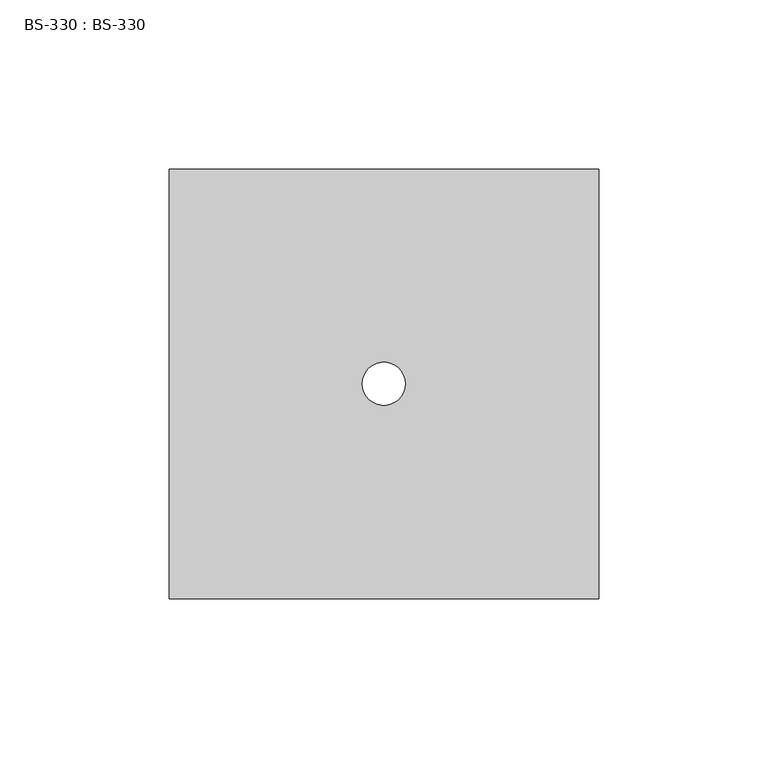
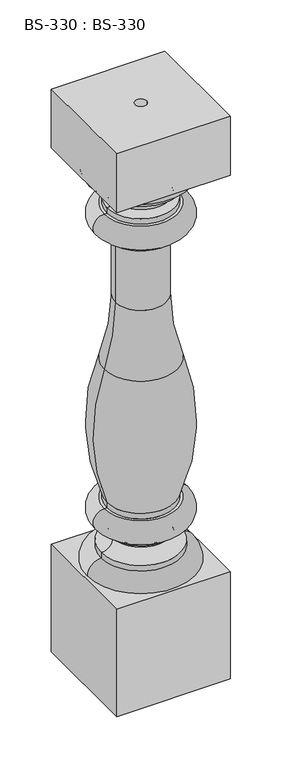
"""IFC4 building model written with IfcOpenShell, lengths in millimetres: proxy geometry, BS-330 : BS-330."""

import ifcopenshell
import ifcopenshell.guid

model = None  # the IFC model being written
_history = None  # IfcOwnerHistory: only IFC2X3 demands one
_inside = {}  # id of a spatial element -> (the spatial element, [elements in it])
_under = {}  # id of a project, library or spatial element -> (it, [spatial elements below it])
_declared = {}  # id of a project -> (the project, [libraries it declares])
_typed = {}  # id of a type object -> (the type object, [elements of that type])
_made_of = {}  # id of a material, layer set ... -> (it, [elements and type objects made of it])


def new_model(schema):
    """Start an empty IFC model of exactly this schema.

    Asked for "IFC4X3", IfcOpenShell would pick the latest addendum, in which some entities
    have other attributes; the version numbers below select the first issue.
    IFC2X3 requires an IfcOwnerHistory on every rooted entity: one is made here for all.
    """
    global model, _history
    if schema == "IFC4X3":
        model = ifcopenshell.file(schema_version=(4, 3, 0, 0))
    else:
        model = ifcopenshell.file(schema=schema)
    _inside.clear()
    _under.clear()
    _declared.clear()
    _typed.clear()
    _made_of.clear()
    _history = None
    if model.schema == "IFC2X3":
        org = make("IfcOrganization", Name="unknown")
        user = make(
            "IfcPersonAndOrganization",
            ThePerson=make("IfcPerson", FamilyName="unknown"),
            TheOrganization=org,
        )
        app = make(
            "IfcApplication",
            ApplicationDeveloper=org,
            Version="unknown",
            ApplicationFullName="unknown",
            ApplicationIdentifier="unknown",
        )
        _history = make(
            "IfcOwnerHistory",
            OwningUser=user,
            OwningApplication=app,
            ChangeAction="ADDED",
            CreationDate=0,
        )
    return model


def make(cls, **values):
    """One entity of the class cls with the attributes given. An attribute that is None is left unset."""
    return model.create_entity(
        cls, **{name: value for name, value in values.items() if value is not None}
    )


def rooted(cls, **values):
    """An entity with a GlobalId (a new one), such as an element, a storey or a relation."""
    return make(cls, GlobalId=ifcopenshell.guid.new(), OwnerHistory=_history, **values)


def si_unit(unit_type, name, prefix=None):
    """IfcSIUnit, for example si_unit("LENGTHUNIT", "METRE", prefix="MILLI")."""
    return make("IfcSIUnit", UnitType=unit_type, Prefix=prefix, Name=name)


def assignment(units):
    """IfcUnitAssignment: the units of a project."""
    return None if units is None else make("IfcUnitAssignment", Units=units)


def point(xyz):
    """IfcCartesianPoint."""
    return None if xyz is None else make("IfcCartesianPoint", Coordinates=xyz)


def direction(xyz):
    """IfcDirection."""
    return None if xyz is None else make("IfcDirection", DirectionRatios=xyz)


def frame(location, z_axis=None, x_axis=None):
    """IfcAxis2Placement3D, a coordinate frame: its origin and axes. An axis left out is left unset."""
    return make(
        "IfcAxis2Placement3D",
        Location=point(location),
        Axis=direction(z_axis),
        RefDirection=direction(x_axis),
    )


def origin():
    """The frame at (0, 0, 0) with its axes left unset."""
    return frame((0.0, 0.0, 0.0))


def origin_with_axes():
    """The frame at (0, 0, 0) with the z axis (0, 0, 1) and the x axis (1, 0, 0) written out."""
    return frame((0.0, 0.0, 0.0), z_axis=(0.0, 0.0, 1.0), x_axis=(1.0, 0.0, 0.0))


def place(relative_to, where):
    """IfcLocalPlacement: puts the frame where relative to a parent placement (None: the world)."""
    return make(
        "IfcLocalPlacement", PlacementRelTo=relative_to, RelativePlacement=where
    )


def context(
    kind, dimensions, precision=None, world=None, true_north=None, identifier=None
):
    """IfcGeometricRepresentationContext, for example the 3D "Model" context."""
    return make(
        "IfcGeometricRepresentationContext",
        ContextIdentifier=identifier,
        ContextType=kind,
        CoordinateSpaceDimension=dimensions,
        Precision=precision,
        WorldCoordinateSystem=world,
        TrueNorth=true_north,
    )


def project(units=None, contexts=None):
    """IfcProject with its units and contexts."""
    return rooted(
        "IfcProject",
        Name="project",
        RepresentationContexts=contexts,
        UnitsInContext=assignment(units),
    )


def spatial(cls, under=None, at=None, **own):
    """A site, building, storey or space (cls), placed at a placement, below another one or the project."""
    s = rooted(cls, ObjectPlacement=at, **own)
    if under is not None:
        _under.setdefault(under.id(), (under, []))[1].append(s)
    return s


def polyline(points):
    """IfcPolyline through the points."""
    return make("IfcPolyline", Points=[point(p) for p in points])


def circle_curve(where, radius):
    """IfcCircle in the frame where."""
    return make("IfcCircle", Position=where, Radius=radius)


def ellipse_curve(where, semi_axis1, semi_axis2):
    """IfcEllipse in the frame where."""
    return make(
        "IfcEllipse", Position=where, SemiAxis1=semi_axis1, SemiAxis2=semi_axis2
    )


def trimmed(basis, trim1, trim2, sense, master):
    """IfcTrimmedCurve: the piece of a basis curve between two trims."""
    return make(
        "IfcTrimmedCurve",
        BasisCurve=basis,
        Trim1=trim1,
        Trim2=trim2,
        SenseAgreement=sense,
        MasterRepresentation=master,
    )


def shape(context_of_items, identifier, shape_type, items):
    """IfcShapeRepresentation: the items that make up one representation, for example the "Body"."""
    return make(
        "IfcShapeRepresentation",
        ContextOfItems=context_of_items,
        RepresentationIdentifier=identifier,
        RepresentationType=shape_type,
        Items=items,
    )


def source(mapping_origin, context_of_items, identifier, shape_type, items):
    """IfcRepresentationMap: a shape defined once, which mapped items show again and again."""
    return make(
        "IfcRepresentationMap",
        MappingOrigin=mapping_origin,
        MappedRepresentation=shape(context_of_items, identifier, shape_type, items),
    )


def transform(
    local_origin,
    x_axis=None,
    y_axis=None,
    z_axis=None,
    scale=None,
    scale2=None,
    scale3=None,
    uniform=True,
):
    """IfcCartesianTransformationOperator3D, or its non-uniform kind. x_axis, y_axis, z_axis: its Axis1, 2, 3."""
    if uniform:
        return make(
            "IfcCartesianTransformationOperator3D",
            Axis1=direction(x_axis),
            Axis2=direction(y_axis),
            LocalOrigin=point(local_origin),
            Scale=scale,
            Axis3=direction(z_axis),
        )
    return make(
        "IfcCartesianTransformationOperator3DnonUniform",
        Axis1=direction(x_axis),
        Axis2=direction(y_axis),
        LocalOrigin=point(local_origin),
        Scale=scale,
        Axis3=direction(z_axis),
        Scale2=scale2,
        Scale3=scale3,
    )


def mapped(mapping_source, mapping_target):
    """IfcMappedItem: shows the shape of a source again, moved by a transform."""
    return make(
        "IfcMappedItem", MappingSource=mapping_source, MappingTarget=mapping_target
    )


def made_of(thing, what):
    """Note that an element or type object is made of a material, layer set ...; save() writes the relation."""
    if what is not None:
        _made_of.setdefault(what.id(), (what, []))[1].append(thing)
    return thing


def element(
    cls,
    number,
    at=None,
    inside=None,
    cuts=None,
    type_object=None,
    material=None,
    context=None,
    identifier="Body",
    shape_type=None,
    held_by="IfcProductDefinitionShape",
    body=None,
    shapes=None,
    **own,
):
    """One element of the class cls, such as IfcWall. Its Tag is "e" and its number.

    at: its placement. inside: the storey or other place that contains it. cuts: it is an
    opening in that element (IfcRelVoidsElement). A single representation is given by context,
    identifier, shape_type and body (its items); several are given by shapes. held_by: the class
    of the entity that holds the representations. save() writes the other relations.
    """
    e = rooted(cls, Tag="e%d" % number, ObjectPlacement=at, **own)
    if body is not None:
        shapes = [shape(context, identifier, shape_type, body)]
    if shapes is not None:
        e.Representation = make(held_by, Representations=shapes)
    if inside is not None:
        _inside.setdefault(inside.id(), (inside, []))[1].append(e)
    if cuts is not None:
        rooted(
            "IfcRelVoidsElement", RelatingBuildingElement=cuts, RelatedOpeningElement=e
        )
    if type_object is not None:
        _typed.setdefault(type_object.id(), (type_object, []))[1].append(e)
    return made_of(e, material)


def aggregate(whole, parts):
    """IfcRelAggregates: a whole, such as a stair, and the parts it consists of."""
    return rooted("IfcRelAggregates", RelatingObject=whole, RelatedObjects=parts)


def save(model, path):
    """Write the relations noted so far, then the file.

    IfcRelAggregates (storeys below a building ...), IfcRelContainedInSpatialStructure (elements
    in a storey), IfcRelDefinesByType, IfcRelAssociatesMaterial and IfcRelDeclares: one each for
    every whole, place, type object, material and project.
    """
    for whole, parts in _under.values():
        aggregate(whole, parts)
    for where, things in _inside.values():
        rooted(
            "IfcRelContainedInSpatialStructure",
            RelatedElements=things,
            RelatingStructure=where,
        )
    for kind, things in _typed.values():
        rooted("IfcRelDefinesByType", RelatedObjects=things, RelatingType=kind)
    for what, things in _made_of.values():
        rooted("IfcRelAssociatesMaterial", RelatedObjects=things, RelatingMaterial=what)
    for by, libraries in _declared.values():
        rooted("IfcRelDeclares", RelatingContext=by, RelatedDefinitions=libraries)
    model.write(path)


def plane_surface(at):
    """IfcPlane: the flat surface through the origin of the frame at, square to its z axis."""
    return make("IfcPlane", Position=at)


def cylinder_surface(at, radius):
    """IfcCylindricalSurface: all points at the distance radius from the z axis of the frame at."""
    return make("IfcCylindricalSurface", Position=at, Radius=radius)


def revolved_surface(curve, axis_point, axis_direction):
    """IfcSurfaceOfRevolution: the curve turned about the line through axis_point along axis_direction."""
    return make(
        "IfcSurfaceOfRevolution",
        SweptCurve=make("IfcArbitraryOpenProfileDef", ProfileType="CURVE", Curve=curve),
        AxisPosition=make("IfcAxis1Placement", Location=point(axis_point), Axis=direction(axis_direction)),
    )


def advanced_brep(points, edges, surfaces, faces):
    """IfcAdvancedBrep: a solid bounded by faces that lie on surfaces and meet in shared edges.

    An edge is (start, end): straight between two places in points (the first is 0);
    or (start, end, curve); or (start, end, curve, False) where it runs against its curve.
    A face is (place in surfaces, loops), or (place, loops, False) where it looks against
    its surface's normal. A loop lists edges by number (the first is 1), with a minus sign
    where the edge is run from its end to its start. The first loop is the outer one.
    """
    corners = [point(p) for p in points]
    vertices = [make("IfcVertexPoint", VertexGeometry=c) for c in corners]
    made = []
    for start, end, *more in edges:
        made.append(
            make(
                "IfcEdgeCurve",
                EdgeStart=vertices[start],
                EdgeEnd=vertices[end],
                EdgeGeometry=more[0] if more else make("IfcPolyline", Points=[corners[start], corners[end]]),
                SameSense=more[1] if len(more) > 1 else True,
            )
        )
    hull = []
    for where, loops, *sense in faces:
        bounds = []
        for j, loop in enumerate(loops):
            ring = [make("IfcOrientedEdge", EdgeElement=made[abs(k) - 1], Orientation=k > 0) for k in loop]
            bounds.append(
                make(
                    "IfcFaceOuterBound" if j == 0 else "IfcFaceBound",
                    Bound=make("IfcEdgeLoop", EdgeList=ring),
                    Orientation=True,
                )
            )
        hull.append(make("IfcAdvancedFace", Bounds=bounds, FaceSurface=surfaces[where], SameSense=sense[0] if sense else True))
    return make("IfcAdvancedBrep", Outer=make("IfcClosedShell", CfsFaces=hull))


def bs_330_bs_330_068fd88a(model_context):
    return source(origin(), model_context, "Body", "AdvancedBrep", [
        advanced_brep(
        [(-63.5, -63.5, 127.0), (-63.5, -63.5, 0.0), (63.5, -63.5, 0.0), (63.5, -63.5, 127.0), (-63.5, 63.5, 127.0), (63.5, 63.5, 127.0), (63.5, 63.5, 0.0), (-63.5, 63.5, 0.0), (6.35, 0.0, 0.0), (-6.35, 0.0, 0.0), (-60.325, 0.0, 127.0), (60.325, 0.0, 127.0), (6.35, 0.0, 666.75), (-6.35, 0.0, 666.75), (-63.5, -63.5, 666.75), (-63.5, -63.5, 596.9), (63.5, -63.5, 596.9), (63.5, -63.5, 666.75), (-63.5, 63.5, 666.75), (63.5, 63.5, 666.75), (63.5, 63.5, 596.9), (-63.5, 63.5, 596.9), (60.325, 0.0, 596.9), (-60.325, 0.0, 596.9), (-44.45, 0.0, 149.225), (44.45, 0.0, 149.225), (44.45, 0.0, 142.875), (-44.45, 0.0, 142.875), (-31.75, 0.0, 161.925), (31.75, 0.0, 161.925), (-38.1, 0.0, 168.275), (38.1, 0.0, 168.275), (-38.1, 0.0, 174.625), (38.1, 0.0, 174.625), (-41.275, 0.0, 174.625), (41.275, 0.0, 174.625), (-41.275, 0.0, 200.025), (41.275, 0.0, 200.025), (-38.1, 0.0, 200.025), (38.1, 0.0, 200.025), (-38.1, 0.0, 206.375), (38.1, 0.0, 206.375), (-41.275, 0.0, 365.2112704), (41.275, 0.0, 365.2112704), (-28.575, 0.0, 440.3454837), (28.575, 0.0, 440.3454837), (-28.575, 0.0, 517.525), (28.575, 0.0, 517.525), (-38.1, 0.0, 517.525), (38.1, 0.0, 517.525), (-38.1, 0.0, 523.875), (38.1, 0.0, 523.875), (-41.275, 0.0, 523.875), (41.275, 0.0, 523.875), (-41.275, 0.0, 549.275), (41.275, 0.0, 549.275), (-38.1, 0.0, 549.275), (38.1, 0.0, 549.275), (-38.1, 0.0, 555.625), (38.1, 0.0, 555.625), (-31.75, 0.0, 561.975), (31.75, 0.0, 561.975), (-44.45, 0.0, 574.675), (44.45, 0.0, 574.675), (-44.45, 0.0, 581.025), (44.45, 0.0, 581.025)],
        [
            (0, 1),
            (1, 2),
            (2, 3),
            (3, 0),
            (4, 5),
            (5, 6),
            (6, 7),
            (7, 4),
            (0, 4),
            (7, 1),
            (6, 2),
            (8, 9, circle_curve(origin_with_axes(), 6.35)),
            (9, 8, circle_curve(origin_with_axes(), 6.35)),
            (5, 3),
            (10, 11, circle_curve(frame((0.0, 0.0, 127.0), z_axis=(0.0, 0.0, -1.0), x_axis=(1.0, 0.0, 0.0)), 60.325)),
            (11, 10, circle_curve(frame((0.0, 0.0, 127.0), z_axis=(0.0, 0.0, -1.0), x_axis=(1.0, 0.0, 0.0)), 60.325)),
            (8, 12),
            (12, 13, circle_curve(frame((0.0, 0.0, 666.75), z_axis=(0.0, 0.0, 1.0), x_axis=(1.0, 0.0, 0.0)), 6.35)),
            (13, 9),
            (13, 12, circle_curve(frame((0.0, 0.0, 666.75), z_axis=(0.0, 0.0, 1.0), x_axis=(1.0, 0.0, 0.0)), 6.35)),
            (14, 15),
            (15, 16),
            (16, 17),
            (17, 14),
            (18, 19),
            (19, 20),
            (20, 21),
            (21, 18),
            (14, 18),
            (21, 15),
            (20, 16),
            (22, 23, circle_curve(frame((0.0, 0.0, 596.9), z_axis=(0.0, 0.0, 1.0), x_axis=(1.0, 0.0, 0.0)), 60.325)),
            (23, 22, circle_curve(frame((0.0, 0.0, 596.9), z_axis=(0.0, 0.0, 1.0), x_axis=(1.0, 0.0, 0.0)), 60.325)),
            (19, 17),
            (24, 25, circle_curve(frame((0.0, 0.0, 149.225), z_axis=(0.0, 0.0, -1.0), x_axis=(1.0, 0.0, 0.0)), 44.45)),
            (25, 26),
            (26, 27, circle_curve(frame((0.0, 0.0, 142.875), z_axis=(0.0, 0.0, 1.0), x_axis=(1.0, 0.0, 0.0)), 44.45)),
            (27, 24),
            (25, 24, circle_curve(frame((0.0, 0.0, 149.225), z_axis=(0.0, 0.0, -1.0), x_axis=(1.0, 0.0, 0.0)), 44.45)),
            (27, 26, circle_curve(frame((0.0, 0.0, 142.875), z_axis=(0.0, 0.0, 1.0), x_axis=(1.0, 0.0, 0.0)), 44.45)),
            (24, 28, circle_curve(frame((-44.45, 0.0, 161.925), z_axis=(0.0, -1.0, 0.0), x_axis=(-1.0, 0.0, 0.0)), 12.7)),
            (28, 29, circle_curve(frame((0.0, 0.0, 161.925), z_axis=(0.0, 0.0, -1.0), x_axis=(1.0, 0.0, 0.0)), 31.75)),
            (29, 25, circle_curve(frame((44.45, 0.0, 161.925), z_axis=(0.0, -1.0, 0.0), x_axis=(1.0, 0.0, 0.0)), 12.7)),
            (29, 28, circle_curve(frame((0.0, 0.0, 161.925), z_axis=(0.0, 0.0, -1.0), x_axis=(1.0, 0.0, 0.0)), 31.75)),
            (28, 30, circle_curve(frame((-38.1, 0.0, 161.925), z_axis=(0.0, -1.0, 0.0), x_axis=(-1.0, 0.0, 0.0)), 6.35)),
            (30, 31, circle_curve(frame((0.0, 0.0, 168.275), z_axis=(0.0, 0.0, -1.0), x_axis=(1.0, 0.0, 0.0)), 38.1)),
            (31, 29, circle_curve(frame((38.1, 0.0, 161.925), z_axis=(0.0, -1.0, 0.0), x_axis=(1.0, 0.0, 0.0)), 6.35)),
            (31, 30, circle_curve(frame((0.0, 0.0, 168.275), z_axis=(0.0, 0.0, -1.0), x_axis=(1.0, 0.0, 0.0)), 38.1)),
            (30, 32),
            (32, 33, circle_curve(frame((0.0, 0.0, 174.625), z_axis=(0.0, 0.0, -1.0), x_axis=(1.0, 0.0, 0.0)), 38.1)),
            (33, 31),
            (33, 32, circle_curve(frame((0.0, 0.0, 174.625), z_axis=(0.0, 0.0, -1.0), x_axis=(1.0, 0.0, 0.0)), 38.1)),
            (32, 34),
            (34, 35, circle_curve(frame((0.0, 0.0, 174.625), z_axis=(0.0, 0.0, -1.0), x_axis=(1.0, 0.0, 0.0)), 41.275)),
            (35, 33),
            (35, 34, circle_curve(frame((0.0, 0.0, 174.625), z_axis=(0.0, 0.0, -1.0), x_axis=(1.0, 0.0, 0.0)), 41.275)),
            (34, 36, circle_curve(frame((-41.275, 0.0, 187.325), z_axis=(0.0, 1.0, 0.0), x_axis=(-1.0, 0.0, 0.0)), 12.7)),
            (36, 37, circle_curve(frame((0.0, 0.0, 200.025), z_axis=(0.0, 0.0, -1.0), x_axis=(1.0, 0.0, 0.0)), 41.275)),
            (37, 35, circle_curve(frame((41.275, 0.0, 187.325), z_axis=(0.0, 1.0, 0.0), x_axis=(1.0, 0.0, 0.0)), 12.7)),
            (37, 36, circle_curve(frame((0.0, 0.0, 200.025), z_axis=(0.0, 0.0, -1.0), x_axis=(1.0, 0.0, 0.0)), 41.275)),
            (36, 38),
            (38, 39, circle_curve(frame((0.0, 0.0, 200.025), z_axis=(0.0, 0.0, -1.0), x_axis=(1.0, 0.0, 0.0)), 38.1)),
            (39, 37),
            (39, 38, circle_curve(frame((0.0, 0.0, 200.025), z_axis=(0.0, 0.0, -1.0), x_axis=(1.0, 0.0, 0.0)), 38.1)),
            (38, 40),
            (40, 41, circle_curve(frame((0.0, 0.0, 206.375), z_axis=(0.0, 0.0, -1.0), x_axis=(1.0, 0.0, 0.0)), 38.1)),
            (41, 39),
            (41, 40, circle_curve(frame((0.0, 0.0, 206.375), z_axis=(0.0, 0.0, -1.0), x_axis=(1.0, 0.0, 0.0)), 38.1)),
            (40, 42, circle_curve(frame((174.625, 0.0, 290.0770572), z_axis=(0.0, 1.0, 0.0), x_axis=(-1.0, 0.0, 0.0)), 228.6)),
            (42, 43, circle_curve(frame((0.0, 0.0, 365.2112704), z_axis=(0.0, 0.0, -1.0), x_axis=(1.0, 0.0, 0.0)), 41.275)),
            (43, 41, circle_curve(frame((-174.625, 0.0, 290.0770572), z_axis=(0.0, 1.0, 0.0), x_axis=(1.0, 0.0, 0.0)), 228.6)),
            (43, 42, circle_curve(frame((0.0, 0.0, 365.2112704), z_axis=(0.0, 0.0, -1.0), x_axis=(1.0, 0.0, 0.0)), 41.275)),
            (42, 44, circle_curve(frame((-257.175, 0.0, 440.3454837), z_axis=(0.0, -1.0, 0.0), x_axis=(-1.0, 0.0, 0.0)), 228.6)),
            (44, 45, circle_curve(frame((0.0, 0.0, 440.3454837), z_axis=(0.0, 0.0, -1.0), x_axis=(1.0, 0.0, 0.0)), 28.575)),
            (45, 43, circle_curve(frame((257.175, 0.0, 440.3454837), z_axis=(0.0, -1.0, 0.0), x_axis=(1.0, 0.0, 0.0)), 228.6)),
            (45, 44, circle_curve(frame((0.0, 0.0, 440.3454837), z_axis=(0.0, 0.0, -1.0), x_axis=(1.0, 0.0, 0.0)), 28.575)),
            (44, 46),
            (46, 47, circle_curve(frame((0.0, 0.0, 517.525), z_axis=(0.0, 0.0, -1.0), x_axis=(1.0, 0.0, 0.0)), 28.575)),
            (47, 45),
            (47, 46, circle_curve(frame((0.0, 0.0, 517.525), z_axis=(0.0, 0.0, -1.0), x_axis=(1.0, 0.0, 0.0)), 28.575)),
            (46, 48),
            (48, 49, circle_curve(frame((0.0, 0.0, 517.525), z_axis=(0.0, 0.0, -1.0), x_axis=(1.0, 0.0, 0.0)), 38.1)),
            (49, 47),
            (49, 48, circle_curve(frame((0.0, 0.0, 517.525), z_axis=(0.0, 0.0, -1.0), x_axis=(1.0, 0.0, 0.0)), 38.1)),
            (48, 50),
            (50, 51, circle_curve(frame((0.0, 0.0, 523.875), z_axis=(0.0, 0.0, -1.0), x_axis=(1.0, 0.0, 0.0)), 38.1)),
            (51, 49),
            (51, 50, circle_curve(frame((0.0, 0.0, 523.875), z_axis=(0.0, 0.0, -1.0), x_axis=(1.0, 0.0, 0.0)), 38.1)),
            (50, 52),
            (52, 53, circle_curve(frame((0.0, 0.0, 523.875), z_axis=(0.0, 0.0, -1.0), x_axis=(1.0, 0.0, 0.0)), 41.275)),
            (53, 51),
            (53, 52, circle_curve(frame((0.0, 0.0, 523.875), z_axis=(0.0, 0.0, -1.0), x_axis=(1.0, 0.0, 0.0)), 41.275)),
            (52, 54, circle_curve(frame((-41.275, 0.0, 536.575), z_axis=(0.0, 1.0, 0.0), x_axis=(-1.0, 0.0, 0.0)), 12.7)),
            (54, 55, circle_curve(frame((0.0, 0.0, 549.275), z_axis=(0.0, 0.0, -1.0), x_axis=(1.0, 0.0, 0.0)), 41.275)),
            (55, 53, circle_curve(frame((41.275, 0.0, 536.575), z_axis=(0.0, 1.0, 0.0), x_axis=(1.0, 0.0, 0.0)), 12.7)),
            (55, 54, circle_curve(frame((0.0, 0.0, 549.275), z_axis=(0.0, 0.0, -1.0), x_axis=(1.0, 0.0, 0.0)), 41.275)),
            (54, 56),
            (56, 57, circle_curve(frame((0.0, 0.0, 549.275), z_axis=(0.0, 0.0, -1.0), x_axis=(1.0, 0.0, 0.0)), 38.1)),
            (57, 55),
            (57, 56, circle_curve(frame((0.0, 0.0, 549.275), z_axis=(0.0, 0.0, -1.0), x_axis=(1.0, 0.0, 0.0)), 38.1)),
            (56, 58),
            (58, 59, circle_curve(frame((0.0, 0.0, 555.625), z_axis=(0.0, 0.0, -1.0), x_axis=(1.0, 0.0, 0.0)), 38.1)),
            (59, 57),
            (59, 58, circle_curve(frame((0.0, 0.0, 555.625), z_axis=(0.0, 0.0, -1.0), x_axis=(1.0, 0.0, 0.0)), 38.1)),
            (58, 60, circle_curve(frame((-38.1, 0.0, 561.975), z_axis=(0.0, -1.0, 0.0), x_axis=(-1.0, 0.0, 0.0)), 6.35)),
            (60, 61, circle_curve(frame((0.0, 0.0, 561.975), z_axis=(0.0, 0.0, -1.0), x_axis=(1.0, 0.0, 0.0)), 31.75)),
            (61, 59, circle_curve(frame((38.1, 0.0, 561.975), z_axis=(0.0, -1.0, 0.0), x_axis=(1.0, 0.0, 0.0)), 6.35)),
            (61, 60, circle_curve(frame((0.0, 0.0, 561.975), z_axis=(0.0, 0.0, -1.0), x_axis=(1.0, 0.0, 0.0)), 31.75)),
            (60, 62, circle_curve(frame((-44.45, 0.0, 561.975), z_axis=(0.0, -1.0, 0.0), x_axis=(-1.0, 0.0, 0.0)), 12.7)),
            (62, 63, circle_curve(frame((0.0, 0.0, 574.675), z_axis=(0.0, 0.0, -1.0), x_axis=(1.0, 0.0, 0.0)), 44.45)),
            (63, 61, circle_curve(frame((44.45, 0.0, 561.975), z_axis=(0.0, -1.0, 0.0), x_axis=(1.0, 0.0, 0.0)), 12.7)),
            (63, 62, circle_curve(frame((0.0, 0.0, 574.675), z_axis=(0.0, 0.0, -1.0), x_axis=(1.0, 0.0, 0.0)), 44.45)),
            (62, 64),
            (64, 65, circle_curve(frame((0.0, 0.0, 581.025), z_axis=(0.0, 0.0, -1.0), x_axis=(1.0, 0.0, 0.0)), 44.45)),
            (65, 63),
            (65, 64, circle_curve(frame((0.0, 0.0, 581.025), z_axis=(0.0, 0.0, -1.0), x_axis=(1.0, 0.0, 0.0)), 44.45)),
            (64, 23, circle_curve(frame((-44.45, 0.0, 596.9), z_axis=(0.0, 1.0, 0.0), x_axis=(-1.0, 0.0, 0.0)), 15.875)),
            (22, 65, circle_curve(frame((44.45, 0.0, 596.9), z_axis=(0.0, 1.0, 0.0), x_axis=(1.0, 0.0, 0.0)), 15.875)),
            (26, 11, circle_curve(frame((44.45, 0.0, 127.0), z_axis=(0.0, 1.0, 0.0), x_axis=(1.0, 0.0, 0.0)), 15.875)),
            (10, 27, circle_curve(frame((-44.45, 0.0, 127.0), z_axis=(0.0, 1.0, 0.0), x_axis=(-1.0, 0.0, 0.0)), 15.875)),
        ],
        [
            plane_surface(frame((-63.5, -63.5, 0.0), z_axis=(0.0, -1.0, 0.0), x_axis=(0.0, 0.0, -1.0))),
            plane_surface(frame((-63.5, 63.5, 0.0), z_axis=(0.0, 1.0, 0.0), x_axis=(0.0, 0.0, 1.0))),
            plane_surface(frame((-63.5, -63.5, 127.0), z_axis=(-1.0, 0.0, 0.0), x_axis=(0.0, 1.0, 0.0))),
            plane_surface(frame((-63.5, -63.5, 0.0), z_axis=(0.0, 0.0, -1.0), x_axis=(0.0, 1.0, 0.0))),
            plane_surface(frame((63.5, -63.5, 0.0), z_axis=(1.0, 0.0, 0.0), x_axis=(0.0, 1.0, 0.0))),
            plane_surface(frame((63.5, -63.5, 127.0), z_axis=(0.0, 0.0, 1.0), x_axis=(0.0, 1.0, 0.0))),
            revolved_surface(polyline([(6.35, 0.0, 0.0), (6.35, 0.0, 666.75)]), (0.0, 0.0, 666.75), (0.0, 0.0, -1.0)),
            plane_surface(frame((-63.5, -63.5, 539.75), z_axis=(0.0, -1.0, 0.0), x_axis=(0.0, 0.0, -1.0))),
            plane_surface(frame((-63.5, 63.5, 539.75), z_axis=(0.0, 1.0, 0.0), x_axis=(0.0, 0.0, 1.0))),
            plane_surface(frame((-63.5, -63.5, 666.75), z_axis=(-1.0, 0.0, 0.0), x_axis=(0.0, 1.0, 0.0))),
            plane_surface(frame((-63.5, -63.5, 596.9), z_axis=(0.0, 0.0, -1.0), x_axis=(0.0, 1.0, 0.0))),
            plane_surface(frame((63.5, -63.5, 596.9), z_axis=(1.0, 0.0, 0.0), x_axis=(0.0, 1.0, 0.0))),
            plane_surface(frame((63.5, -63.5, 666.75), z_axis=(0.0, 0.0, 1.0), x_axis=(0.0, 1.0, 0.0))),
            cylinder_surface(frame((0.0, 0.0, 127.0), z_axis=(0.0, 0.0, 1.0), x_axis=(1.0, 0.0, 0.0)), 44.45),
            revolved_surface(trimmed(ellipse_curve(frame((44.45, 0.0, 161.925), z_axis=(0.0, 1.0, 0.0), x_axis=(1.0, 0.0, 0.0)), 12.7, 12.7), [point((44.45, 0.0, 149.225))], [point((31.75, 0.0, 161.925))], True, "CARTESIAN"), (0.0, 0.0, 127.0), (0.0, 0.0, 1.0)),
            revolved_surface(trimmed(ellipse_curve(frame((38.1, 0.0, 161.925), z_axis=(0.0, 1.0, 0.0), x_axis=(1.0, 0.0, 0.0)), 6.35, 6.35), [point((31.75, 0.0, 161.925))], [point((38.1, 0.0, 168.275))], True, "CARTESIAN"), (0.0, 0.0, 127.0), (0.0, 0.0, 1.0)),
            cylinder_surface(frame((0.0, 0.0, 127.0), z_axis=(0.0, 0.0, 1.0), x_axis=(1.0, 0.0, 0.0)), 38.1),
            plane_surface(frame((0.0, 0.0, 174.625), z_axis=(0.0, 0.0, -1.0), x_axis=(1.0, 0.0, 0.0))),
            revolved_surface(trimmed(ellipse_curve(frame((41.275, 0.0, 187.325), z_axis=(0.0, -1.0, 0.0), x_axis=(1.0, 0.0, 0.0)), 12.7, 12.7), [point((41.275, 0.0, 174.625))], [point((41.275, 0.0, 200.025))], True, "CARTESIAN"), (0.0, 0.0, 127.0), (0.0, 0.0, 1.0)),
            plane_surface(frame((0.0, 0.0, 200.025), z_axis=(0.0, 0.0, 1.0), x_axis=(1.0, 0.0, 0.0))),
            revolved_surface(trimmed(ellipse_curve(frame((-174.625, 0.0, 290.0770572), z_axis=(0.0, -1.0, 0.0), x_axis=(1.0, 0.0, 0.0)), 228.6, 228.6), [point((38.1, 0.0, 206.375))], [point((41.275, 0.0, 365.2112704))], True, "CARTESIAN"), (0.0, 0.0, 127.0), (0.0, 0.0, 1.0)),
            revolved_surface(trimmed(ellipse_curve(frame((257.175, 0.0, 440.3454837), z_axis=(0.0, 1.0, 0.0), x_axis=(1.0, 0.0, 0.0)), 228.6, 228.6), [point((41.275, 0.0, 365.2112704))], [point((28.575, 0.0, 440.3454837))], True, "CARTESIAN"), (0.0, 0.0, 127.0), (0.0, 0.0, 1.0)),
            cylinder_surface(frame((0.0, 0.0, 127.0), z_axis=(0.0, 0.0, 1.0), x_axis=(1.0, 0.0, 0.0)), 28.575),
            plane_surface(frame((0.0, 0.0, 517.525), z_axis=(0.0, 0.0, -1.0), x_axis=(1.0, 0.0, 0.0))),
            plane_surface(frame((0.0, 0.0, 523.875), z_axis=(0.0, 0.0, -1.0), x_axis=(1.0, 0.0, 0.0))),
            revolved_surface(trimmed(ellipse_curve(frame((41.275, 0.0, 536.575), z_axis=(0.0, -1.0, 0.0), x_axis=(1.0, 0.0, 0.0)), 12.7, 12.7), [point((41.275, 0.0, 523.875))], [point((41.275, 0.0, 549.275))], True, "CARTESIAN"), (0.0, 0.0, 127.0), (0.0, 0.0, 1.0)),
            plane_surface(frame((0.0, 0.0, 549.275), z_axis=(0.0, 0.0, 1.0), x_axis=(1.0, 0.0, 0.0))),
            revolved_surface(trimmed(ellipse_curve(frame((38.1, 0.0, 561.975), z_axis=(0.0, 1.0, 0.0), x_axis=(1.0, 0.0, 0.0)), 6.35, 6.35), [point((38.1, 0.0, 555.625))], [point((31.75, 0.0, 561.975))], True, "CARTESIAN"), (0.0, 0.0, 127.0), (0.0, 0.0, 1.0)),
            revolved_surface(trimmed(ellipse_curve(frame((44.45, 0.0, 561.975), z_axis=(0.0, 1.0, 0.0), x_axis=(1.0, 0.0, 0.0)), 12.7, 12.7), [point((31.75, 0.0, 561.975))], [point((44.45, 0.0, 574.675))], True, "CARTESIAN"), (0.0, 0.0, 127.0), (0.0, 0.0, 1.0)),
            revolved_surface(trimmed(ellipse_curve(frame((44.45, 0.0, 596.9), z_axis=(0.0, -1.0, 0.0), x_axis=(1.0, 0.0, 0.0)), 15.875, 15.875), [point((44.45, 0.0, 581.025))], [point((60.325, 0.0, 596.9))], True, "CARTESIAN"), (0.0, 0.0, 127.0), (0.0, 0.0, 1.0)),
            revolved_surface(trimmed(ellipse_curve(frame((44.45, 0.0, 127.0), z_axis=(0.0, -1.0, 0.0), x_axis=(1.0, 0.0, 0.0)), 15.875, 15.875), [point((60.325, 0.0, 127.0))], [point((44.45, 0.0, 142.875))], True, "CARTESIAN"), (0.0, 0.0, 127.0), (0.0, 0.0, 1.0)),
        ],
        [
            (0, [[1, 2, 3, 4]]),
            (1, [[5, 6, 7, 8]]),
            (2, [[-1, 9, -8, 10]]),
            (3, [[-2, -10, -7, 11], [12, 13]]),
            (4, [[-3, -11, -6, 14]]),
            (5, [[-4, -14, -5, -9], [15, 16]]),
            (6, [[17, 18, 19, -12]]),
            (6, [[-17, -13, -19, 20]]),
            (7, [[21, 22, 23, 24]]),
            (8, [[25, 26, 27, 28]]),
            (9, [[-21, 29, -28, 30]]),
            (10, [[-22, -30, -27, 31], [32, 33]]),
            (11, [[-23, -31, -26, 34]]),
            (12, [[-24, -34, -25, -29], [-18, -20]]),
            (13, [[35, 36, 37, 38]]),
            (13, [[-36, 39, -38, 40]]),
            (14, [[-35, 41, 42, 43]]),
            (14, [[-39, -43, 44, -41]]),
            (15, [[-42, 45, 46, 47]]),
            (15, [[-44, -47, 48, -45]]),
            (16, [[-46, 49, 50, 51]]),
            (16, [[-48, -51, 52, -49]]),
            (17, [[-50, 53, 54, 55]]),
            (17, [[-52, -55, 56, -53]]),
            (18, [[-54, 57, 58, 59]]),
            (18, [[-56, -59, 60, -57]]),
            (19, [[-58, 61, 62, 63]]),
            (19, [[-60, -63, 64, -61]]),
            (16, [[-62, 65, 66, 67]]),
            (16, [[-64, -67, 68, -65]]),
            (20, [[-66, 69, 70, 71]]),
            (20, [[-68, -71, 72, -69]]),
            (21, [[-70, 73, 74, 75]]),
            (21, [[-72, -75, 76, -73]]),
            (22, [[-74, 77, 78, 79]]),
            (22, [[-76, -79, 80, -77]]),
            (23, [[-78, 81, 82, 83]]),
            (23, [[-80, -83, 84, -81]]),
            (16, [[-82, 85, 86, 87]]),
            (16, [[-84, -87, 88, -85]]),
            (24, [[-86, 89, 90, 91]]),
            (24, [[-88, -91, 92, -89]]),
            (25, [[-90, 93, 94, 95]]),
            (25, [[-92, -95, 96, -93]]),
            (26, [[-94, 97, 98, 99]]),
            (26, [[-96, -99, 100, -97]]),
            (16, [[-98, 101, 102, 103]]),
            (16, [[-100, -103, 104, -101]]),
            (27, [[-102, 105, 106, 107]]),
            (27, [[-104, -107, 108, -105]]),
            (28, [[-106, 109, 110, 111]]),
            (28, [[-108, -111, 112, -109]]),
            (13, [[-110, 113, 114, 115]]),
            (13, [[-112, -115, 116, -113]]),
            (29, [[-114, 117, -32, 118]]),
            (29, [[-116, -118, -33, -117]]),
            (30, [[-37, 119, -15, 120]]),
            (30, [[-40, -120, -16, -119]]),
        ],
    ),
    ])


if __name__ == "__main__":
    model = new_model("IFC4")
    model_context = context("Model", 3, world=origin())
    ifc_project = project(units=[si_unit("LENGTHUNIT", "METRE", prefix="MILLI")], contexts=[model_context])
    site = spatial("IfcSite", under=ifc_project)
    building = spatial("IfcBuilding", under=site)
    placement = place(None, origin())
    bs_330_bs_330_shape = bs_330_bs_330_068fd88a(model_context)
    element("IfcBuildingElementProxy", 1, Name="BS-330 : BS-330", ObjectType="BS-330 : BS-330", at=placement, inside=building, context=model_context, shape_type="MappedRepresentation", body=[
        mapped(bs_330_bs_330_shape, transform((0.0, 0.0, 0.0), x_axis=(1.0, 0.0, 0.0), y_axis=(0.0, 1.0, 0.0), z_axis=(0.0, 0.0, 1.0))),
    ])
    save(model, "model.ifc")
